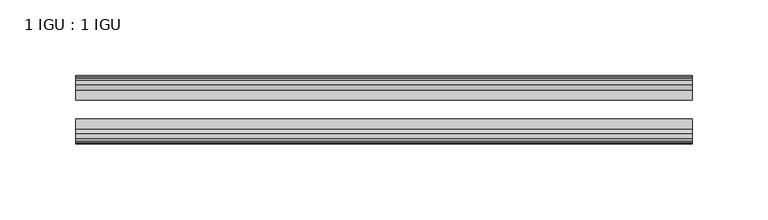
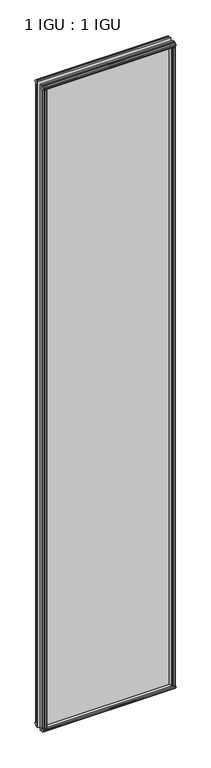
"""IFC4 building model written with IfcOpenShell, lengths in millimetres: plate geometry, 1 IGU : 1 IGU."""

from ifc_helpers import new_model, si_unit, frame, origin, origin_with_axes, place, context, project, spatial, polyline, outline, extrude, source, transform, mapped, element, save


def plate_1_igu_1_igu_057d5b63(model_context):
    return source(origin(), model_context, "Body", "SweptSolid", [
        extrude(outline(polyline([(189.2539387, -19.5460937), (191.3592158, -13.1960937), (196.5664102, -13.1960937), (196.9474102, -10.8158968), (195.5318812, -11.27583), (195.5318812, -10.4746158), (197.7094102, -9.7670937), (199.8869393, -10.4746158), (199.8869393, -11.27583), (198.4714102, -10.8158968), (198.8524102, -13.1960937), (203.2974102, -13.1960937), (203.2974102, -16.1419073), (201.0843327, -19.5460937), (189.2539387, -19.5460937)])), origin_with_axes(), (0.0, 0.0, 1.0), 2070.1),
        extrude(outline(polyline([(-189.2539387, -19.5460937), (-201.0843327, -19.5460937), (-203.2974102, -16.1419073), (-203.2974102, -13.1960937), (-198.8524102, -13.1960937), (-198.4714102, -10.8158968), (-199.8869393, -11.27583), (-199.8869393, -10.4746158), (-197.7094102, -9.7670937), (-195.5318812, -10.4746158), (-195.5318812, -11.27583), (-196.9474102, -10.8158968), (-196.5664102, -13.1960937), (-191.3592158, -13.1960937), (-189.2539387, -19.5460937)])), origin_with_axes(), (0.0, 0.0, 1.0), 2070.1),
        extrude(outline(polyline([(-16.1419073, -12.4576852), (-19.5460937, -10.2446077), (-19.5460937, 1.5857863), (-13.1960937, -0.5194908), (-13.1960937, -5.7266852), (-10.8158968, -6.1076852), (-11.27583, -4.6921562), (-10.4746158, -4.6921562), (-9.7670937, -6.8696852), (-10.4746158, -9.0472143), (-11.27583, -9.0472143), (-10.8158968, -7.6316852), (-13.1960937, -8.0126852), (-13.1960937, -12.4576852), (-16.1419073, -12.4576852)])), frame((-203.539725, 0.0, 0.0), z_axis=(1.0, 0.0, 0.0), x_axis=(0.0, 1.0, 0.0)), (0.0, 0.0, 1.0), 407.07945),
        extrude(outline(polyline([(-48.3502802, -11.938), (-51.2960937, -11.938), (-51.2960937, -7.493), (-53.6762907, -7.112), (-53.2163575, -8.5275291), (-54.0175717, -8.5275291), (-54.7250937, -6.35), (-54.0175717, -4.172471), (-53.2163575, -4.172471), (-53.6762907, -5.588), (-51.2960937, -5.207), (-51.2960937, 0.0001944), (-44.9460937, 2.1054715), (-44.9460937, -9.7249225), (-48.3502802, -11.938)])), frame((-203.539725, 0.0, 0.0), z_axis=(1.0, 0.0, 0.0), x_axis=(0.0, 1.0, 0.0)), (0.0, 0.0, 1.0), 407.07945),
        extrude(outline(polyline([(-16.1028367, 2082.5576852), (-13.1960937, 2082.5576852), (-13.1960937, 2078.1126852), (-10.8158968, 2077.7316852), (-11.27583, 2079.1472143), (-10.4746158, 2079.1472143), (-9.7670937, 2076.9696852), (-10.4746158, 2074.7921562), (-11.27583, 2074.7921562), (-10.8158968, 2076.2076852), (-13.1960937, 2075.8266852), (-13.1960937, 2070.5940908), (-19.5460937, 2068.4888137), (-19.5460937, 2080.3192077), (-16.1028367, 2082.5576852)])), frame((-203.539725, 0.0, 0.0), z_axis=(1.0, 0.0, 0.0), x_axis=(0.0, 1.0, 0.0)), (0.0, 0.0, 1.0), 407.07945),
        extrude(outline(polyline([(-48.3893508, 2082.0126), (-44.9460937, 2079.7741225), (-44.9460937, 2067.9437285), (-51.2960937, 2070.0490056), (-51.2960937, 2075.2816), (-53.6762907, 2075.6626), (-53.2163575, 2074.2470709), (-54.0175717, 2074.2470709), (-54.7250938, 2076.4246), (-54.0175717, 2078.602129), (-53.2163575, 2078.602129), (-53.6762907, 2077.1866), (-51.2960937, 2077.5676), (-51.2960937, 2082.0126), (-48.3893508, 2082.0126)])), frame((-203.539725, 0.0, 0.0), z_axis=(1.0, 0.0, 0.0), x_axis=(0.0, 1.0, 0.0)), (0.0, 0.0, 1.0), 407.07945),
        extrude(outline(polyline([(-188.7342535, -44.9460938), (-190.8395306, -51.2960938), (-196.046725, -51.2960938), (-196.427725, -53.6762907), (-195.012196, -53.2163575), (-195.012196, -54.0175717), (-197.189725, -54.7250938), (-199.3672541, -54.0175717), (-199.3672541, -53.2163575), (-197.951725, -53.6762907), (-198.332725, -51.2960938), (-202.777725, -51.2960938), (-202.777725, -48.3502802), (-200.5646475, -44.9460938), (-188.7342535, -44.9460938)])), origin_with_axes(), (0.0, 0.0, 1.0), 2070.1),
        extrude(outline(polyline([(188.7342535, -44.9460938), (200.5646475, -44.9460938), (202.777725, -48.3502802), (202.777725, -51.2960938), (198.332725, -51.2960938), (197.951725, -53.6762907), (199.3672541, -53.2163575), (199.3672541, -54.0175717), (197.189725, -54.7250938), (195.012196, -54.0175717), (195.012196, -53.2163575), (196.427725, -53.6762907), (196.046725, -51.2960938), (190.8395306, -51.2960938), (188.7342535, -44.9460938)])), origin_with_axes(), (0.0, 0.0, 1.0), 2070.1),
        extrude(outline(polyline([(203.539725, -19.5460937), (203.539725, -25.8337453), (-203.539725, -25.8337453), (-203.539725, -19.5460937), (203.539725, -19.5460937)])), frame((0.0, 0.0, -12.7), z_axis=(0.0, 0.0, 1.0), x_axis=(1.0, 0.0, 0.0)), (0.0, 0.0, 1.0), 2095.4872998),
        extrude(outline(polyline([(-203.539725, -44.9460937), (-203.539725, -38.6468938), (203.539725, -38.6468938), (203.539725, -44.9460937), (-203.539725, -44.9460937)])), frame((0.0, 0.0, -12.7), z_axis=(0.0, 0.0, 1.0), x_axis=(1.0, 0.0, 0.0)), (0.0, 0.0, 1.0), 2095.4872998),
    ])


if __name__ == "__main__":
    model = new_model("IFC4")
    model_context = context("Model", 3, world=origin())
    ifc_project = project(units=[si_unit("LENGTHUNIT", "METRE", prefix="MILLI")], contexts=[model_context])
    site = spatial("IfcSite", under=ifc_project)
    building = spatial("IfcBuilding", under=site)
    placement = place(None, origin())
    plate_1_igu_1_igu_shape = plate_1_igu_1_igu_057d5b63(model_context)
    element("IfcPlate", 1, ObjectType="1 IGU : 1 IGU", at=placement, inside=building, context=model_context, shape_type="MappedRepresentation", body=[
        mapped(plate_1_igu_1_igu_shape, transform((0.0, 0.0, 0.0), x_axis=(1.0, 0.0, 0.0), y_axis=(0.0, 1.0, 0.0), z_axis=(0.0, 0.0, 1.0))),
    ])
    save(model, "model.ifc")
